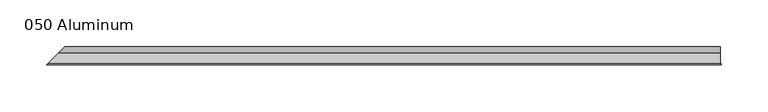
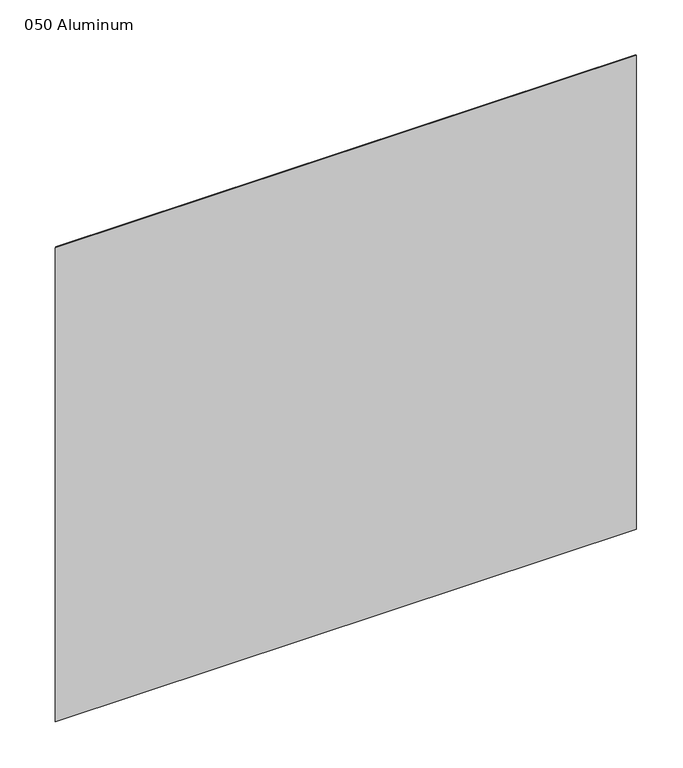
"""IFC4 building model written with IfcOpenShell, lengths in millimetres: plate geometry, 050 Aluminum."""

from ifc_helpers import new_model, si_unit, frame, origin, origin_with_axes, place, context, project, spatial, polyline, circle_curve, ellipse_curve, outline, extrude, source, transform, mapped, element, save
from ifc_brep_helpers import plane_surface, cylinder_surface, revolved_surface, advanced_brep


def plate_050_aluminum_60f0d508(model_context):
    return source(origin(), model_context, "Body", "SolidModel", [
        advanced_brep(
        [(341.63, -16.6765477, 13.1458337), (341.63, -23.0264743, 13.124237), (341.63, -23.0264743, 1.2693678), (341.63, -34.7980002, 1.2693678), (341.63, -34.7980002, 0.0), (341.63, -21.7564743, 0.0), (341.63, -21.7564743, 13.124237), (341.63, -17.9464915, 13.1323356), (341.63, -17.9464915, 2.786437), (341.63, -16.6765477, 2.786437), (-359.5765477, -16.6765477, 2.786437), (-359.5765477, -16.6765477, 13.1458337), (-360.8464915, -17.9464915, 2.786437), (-360.8464915, -17.9464915, 13.1323356), (-364.6564743, -21.7564743, 13.124237), (-364.6564743, -21.7564743, 0.0), (-377.698, -34.7980002, 0.0), (-377.698, -34.7980002, 1.2693678), (-365.9264743, -23.0264743, 1.2693678), (-365.9264743, -23.0264743, 13.124237)],
        [
            (0, 1, circle_curve(frame((341.63, -19.8514743, 13.124237), z_axis=(1.0, 0.0, 0.0), x_axis=(0.0, 0.0, -1.0)), 3.175)),
            (1, 2),
            (2, 3),
            (3, 4),
            (4, 5),
            (5, 6),
            (6, 7, circle_curve(frame((341.63, -19.8514743, 13.124237), z_axis=(-1.0, 0.0, 0.0), x_axis=(0.0, 0.0, -1.0)), 1.905)),
            (7, 8),
            (8, 9),
            (9, 0),
            (9, 10),
            (10, 11),
            (11, 0),
            (8, 12),
            (12, 10),
            (7, 13),
            (13, 12),
            (6, 14),
            (14, 13, ellipse_curve(frame((-362.7514743, -19.8514743, 13.124237), z_axis=(-0.7071067811865466, 0.7071067811865485, 0.0), x_axis=(0.7071067811865485, 0.7071067811865466, 0.0)), 2.6940768, 1.905)),
            (5, 15),
            (15, 14),
            (4, 16),
            (16, 15),
            (3, 17),
            (17, 16),
            (2, 18),
            (18, 17),
            (1, 19),
            (19, 18),
            (11, 19, ellipse_curve(frame((-362.7514743, -19.8514743, 13.124237), z_axis=(0.7071067811865466, -0.7071067811865485, 0.0), x_axis=(-0.7071067811865485, -0.7071067811865466, 0.0)), 4.4901281, 3.175)),
        ],
        [
            plane_surface(frame((341.63, -36.068, 0.0), z_axis=(1.0, 0.0, 0.0), x_axis=(0.0, 0.0, 1.0))),
            plane_surface(frame((-377.698, -16.6765477, 13.1458337), z_axis=(0.0, 1.0, 0.0), x_axis=(1.0, 0.0, 0.0))),
            plane_surface(frame((-377.698, -16.6765477, 2.786437), z_axis=(0.0, 0.0, -1.0), x_axis=(1.0, 0.0, 0.0))),
            plane_surface(frame((-377.698, -17.9464915, 2.786437), z_axis=(0.0, -1.0, 0.0), x_axis=(1.0, 0.0, 0.0))),
            revolved_surface(polyline([(341.63, -19.8514743, 11.219237000000001), (-364.6564743, -19.8514743, 11.219237000000001)]), (-377.698, -19.8514743, 13.124237), (1.0, 0.0, 0.0)),
            plane_surface(frame((-377.698, -21.7564743, 13.124237), z_axis=(0.0, 1.0, 0.0), x_axis=(1.0, 0.0, 0.0))),
            plane_surface(frame((-377.698, -21.7564743, 0.0), z_axis=(0.0, 0.0, -1.0), x_axis=(1.0, 0.0, 0.0))),
            plane_surface(frame((-377.698, -34.7980002, 0.0), z_axis=(0.0, -1.0, 0.0), x_axis=(1.0, 0.0, 0.0))),
            plane_surface(frame((-377.698, -34.7980002, 1.2693678), z_axis=(0.0, 0.0, 1.0), x_axis=(1.0, 0.0, 0.0))),
            plane_surface(frame((-377.698, -23.0264743, 1.2693678), z_axis=(0.0, -1.0, 0.0), x_axis=(1.0, 0.0, 0.0))),
            cylinder_surface(frame((-377.698, -19.8514743, 13.124237), z_axis=(-1.0, 0.0, 0.0), x_axis=(0.0, 0.0, -1.0)), 3.175),
            plane_surface(frame((-378.968, -36.068, 795.4549971), z_axis=(-0.7071067811865466, 0.7071067811865485, 0.0), x_axis=(0.0, 0.0, -1.0))),
        ],
        [
            (0, [[1, 2, 3, 4, 5, 6, 7, 8, 9, 10]]),
            (1, [[-10, 11, 12, 13]]),
            (2, [[-9, 14, 15, -11]]),
            (3, [[-8, 16, 17, -14]]),
            (4, [[-7, 18, 19, -16]]),
            (5, [[-6, 20, 21, -18]]),
            (6, [[-5, 22, 23, -20]]),
            (7, [[-4, 24, 25, -22]]),
            (8, [[-3, 26, 27, -24]]),
            (9, [[-2, 28, 29, -26]]),
            (10, [[-1, -13, 30, -28]]),
            (11, [[-12, -15, -17, -19, -21, -23, -25, -27, -29, -30]]),
        ],
    ),
        extrude(outline(polyline([(342.9, -34.7980001), (342.9, -36.068), (-378.968, -36.068), (-377.6980001, -34.7980001), (342.9, -34.7980001)])), origin_with_axes(), (0.0, 0.0, 1.0), 622.3),
    ])


if __name__ == "__main__":
    model = new_model("IFC4")
    model_context = context("Model", 3, world=origin())
    ifc_project = project(units=[si_unit("LENGTHUNIT", "METRE", prefix="MILLI")], contexts=[model_context])
    site = spatial("IfcSite", under=ifc_project)
    building = spatial("IfcBuilding", under=site)
    placement = place(None, origin())
    plate_050_aluminum_shape = plate_050_aluminum_60f0d508(model_context)
    element("IfcPlate", 1, ObjectType="050 Aluminum", at=placement, inside=building, context=model_context, shape_type="MappedRepresentation", body=[
        mapped(plate_050_aluminum_shape, transform((0.0, 0.0, 0.0), x_axis=(1.0, 0.0, 0.0), y_axis=(0.0, 1.0, 0.0), z_axis=(0.0, 0.0, 1.0))),
    ])
    save(model, "model.ifc")
